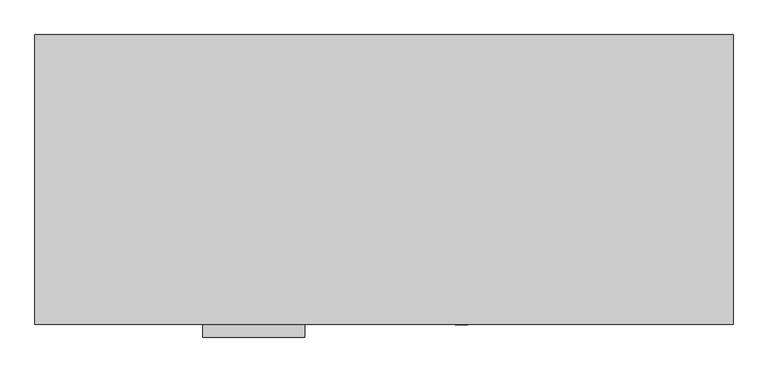
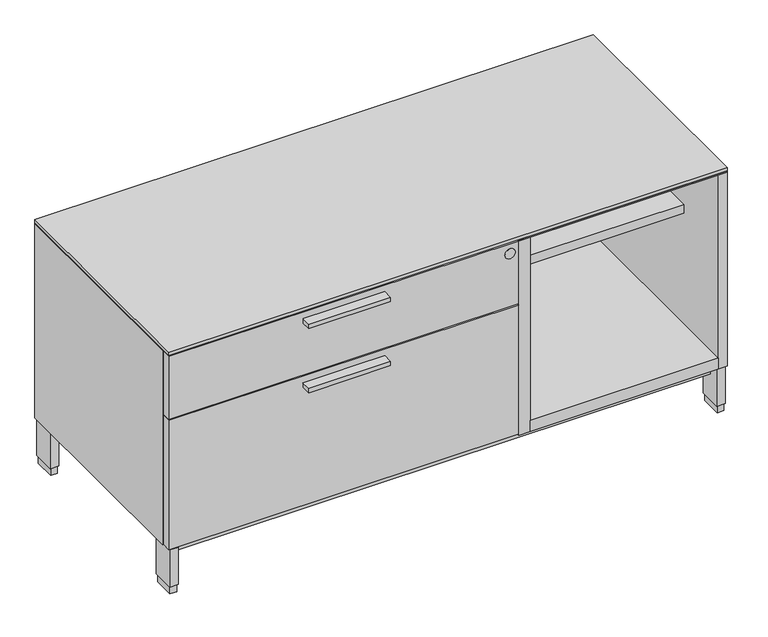
"""IFC4 building model written with IfcOpenShell, lengths in millimetres: furniture geometry."""

from ifc_helpers import new_model, si_unit, point, frame, frame_2d, origin, origin_with_axes, place, context, project, spatial, polyline, circle_curve, trimmed, segment, composite_curve, outline, extrude, source, transform, mapped, element, save


def furniture_1f9819b2(model_context):
    return source(origin(), model_context, "Body", "SweptSolid", [
        extrude(outline(polyline([(471.4875, -528.574), (293.6875, -528.574), (293.6875, -506.349), (471.4875, -506.349), (471.4875, -528.574)])), frame((0.0, 0.0, 379.09246), z_axis=(0.0, 0.0, 1.0), x_axis=(1.0, 0.0, 0.0)), (0.0, 0.0, 1.0), 9.525),
        extrude(outline(polyline([(471.4875, -528.574), (293.6875, -528.574), (293.6875, -506.349), (471.4875, -506.349), (471.4875, -528.574)])), frame((0.0, 0.0, 526.53946), z_axis=(0.0, 0.0, 1.0), x_axis=(1.0, 0.0, 0.0)), (0.0, 0.0, 1.0), 9.525),
        extrude(outline(polyline([(788.9875, -20.828), (1198.1815, -20.828), (1198.1815, -506.349), (788.9875, -506.349), (788.9875, -20.828)])), frame((0.0, 0.0, 103.2002), z_axis=(0.0, 0.0, 1.0), x_axis=(1.0, 0.0, 0.0)), (0.0, 0.0, 1.0), 25.4),
        extrude(outline(polyline([(1.5875, -1.524), (1217.6125, -1.524), (1217.6125, -506.349), (763.5875, -506.349), (763.5875, -487.172), (1.5875, -487.172), (1.5875, -1.524)])), frame((0.0, 0.0, 550.8752), z_axis=(0.0, 0.0, 1.0), x_axis=(1.0, 0.0, 0.0)), (0.0, 0.0, 1.0), 1.5875),
        extrude(outline(polyline([(788.9875, -20.828), (1198.1815, -20.828), (1198.1815, -375.8184), (788.9875, -375.8184), (788.9875, -20.828)])), frame((0.0, 0.0, 383.0828), z_axis=(0.0, 0.0, 1.0), x_axis=(1.0, 0.0, 0.0)), (0.0, 0.0, 1.0), 20.3454),
        extrude(outline(polyline([(763.5875, -20.828), (788.9875, -20.828), (788.9875, -506.349), (763.5875, -506.349), (763.5875, -20.828)])), frame((0.0, 0.0, 103.2002), z_axis=(0.0, 0.0, 1.0), x_axis=(1.0, 0.0, 0.0)), (0.0, 0.0, 1.0), 447.675),
        extrude(outline(polyline([(21.2979, -5.715), (21.2979, -52.197), (6.5659, -52.197), (6.5659, -5.715), (21.2979, -5.715)])), origin_with_axes(), (0.0, 0.0, 1.0), 17.399),
        extrude(outline(polyline([(21.2979, -455.676), (21.2979, -502.158), (6.5659, -502.158), (6.5659, -455.676), (21.2979, -455.676)])), origin_with_axes(), (0.0, 0.0, 1.0), 17.399),
        extrude(outline(polyline([(1212.6341, -455.676), (1212.6341, -502.158), (1197.9021, -502.158), (1197.9021, -455.676), (1212.6341, -455.676)])), origin_with_axes(), (0.0, 0.0, 1.0), 17.399),
        extrude(outline(polyline([(1212.6341, -5.715), (1212.6341, -52.197), (1197.9021, -52.197), (1197.9021, -5.715), (1212.6341, -5.715)])), origin_with_axes(), (0.0, 0.0, 1.0), 17.399),
        extrude(outline(polyline([(23.4569, -3.556), (23.4569, -54.356), (4.4069, -54.356), (4.4069, -3.556), (23.4569, -3.556)])), frame((0.0, 0.0, 17.399), z_axis=(0.0, 0.0, 1.0), x_axis=(1.0, 0.0, 0.0)), (0.0, 0.0, 1.0), 85.8012),
        extrude(outline(polyline([(1214.7931, -3.556), (1214.7931, -54.356), (1195.7431, -54.356), (1195.7431, -3.556), (1214.7931, -3.556)])), frame((0.0, 0.0, 17.399), z_axis=(0.0, 0.0, 1.0), x_axis=(1.0, 0.0, 0.0)), (0.0, 0.0, 1.0), 85.8012),
        extrude(outline(polyline([(1214.7931, -453.517), (1214.7931, -504.317), (1195.7431, -504.317), (1195.7431, -453.517), (1214.7931, -453.517)])), frame((0.0, 0.0, 17.399), z_axis=(0.0, 0.0, 1.0), x_axis=(1.0, 0.0, 0.0)), (0.0, 0.0, 1.0), 85.8012),
        extrude(outline(polyline([(23.4569, -453.517), (23.4569, -504.317), (4.4069, -504.317), (4.4069, -453.517), (23.4569, -453.517)])), frame((0.0, 0.0, 17.399), z_axis=(0.0, 0.0, 1.0), x_axis=(1.0, 0.0, 0.0)), (0.0, 0.0, 1.0), 85.8012),
        extrude(outline(polyline([(1195.7431, -26.99766), (1195.7431, -480.87534), (23.4569, -480.87534), (23.4569, -26.99766), (1195.7431, -26.99766)])), frame((0.0, 0.0, 77.8002), z_axis=(0.0, 0.0, 1.0), x_axis=(1.0, 0.0, 0.0)), (0.0, 0.0, 1.0), 25.4),
        extrude(outline(composite_curve([segment(trimmed(circle_curve(frame_2d((528.3708, 744.5375)), 11.176), [point((528.3708, 755.7135))], [point((528.3708, 733.3615))], False, "CARTESIAN"), True, "CONTINUOUS"), segment(trimmed(circle_curve(frame_2d((528.3708, 744.5375)), 11.176), [point((528.3708, 733.3615))], [point((528.3708, 755.7135))], False, "CARTESIAN"), True, "CONTINUOUS")], self_intersect=False)), frame((0.0, -506.9614948, 0.0), z_axis=(0.0, 1.0, 0.0), x_axis=(0.0, 0.0, 1.0)), (0.0, 0.0, 1.0), 5.0524148),
        extrude(outline(polyline([(763.5875, -487.172), (763.5875, -506.349), (1.5875, -506.349), (1.5875, -487.172), (763.5875, -487.172)])), frame((0.0, 0.0, 106.3752), z_axis=(0.0, 0.0, 1.0), x_axis=(1.0, 0.0, 0.0)), (0.0, 0.0, 1.0), 297.053),
        extrude(outline(polyline([(763.5875, -487.172), (763.5875, -506.349), (1.5875, -506.349), (1.5875, -487.172), (763.5875, -487.172)])), frame((0.0, 0.0, 406.6032), z_axis=(0.0, 0.0, 1.0), x_axis=(1.0, 0.0, 0.0)), (0.0, 0.0, 1.0), 144.272),
        extrude(outline(polyline([(1217.6125, -506.349), (1.5875, -506.349), (1.5875, -1.524), (1217.6125, -1.524), (1217.6125, -506.349)])), frame((0.0, 0.0, 554.0502), z_axis=(0.0, 0.0, 1.0), x_axis=(1.0, 0.0, 0.0)), (0.0, 0.0, 1.0), 6.35),
        extrude(outline(polyline([(1.5875, -1.524), (1217.6125, -1.524), (1217.6125, -506.349), (1198.1815, -506.349), (1198.1815, -20.828), (21.0185, -20.828), (21.0185, -483.2858), (1.5875, -483.2858), (1.5875, -1.524)])), frame((0.0, 0.0, 103.2002), z_axis=(0.0, 0.0, 1.0), x_axis=(1.0, 0.0, 0.0)), (0.0, 0.0, 1.0), 447.675),
    ])


if __name__ == "__main__":
    model = new_model("IFC4")
    model_context = context("Model", 3, world=origin())
    ifc_project = project(units=[si_unit("LENGTHUNIT", "METRE", prefix="MILLI")], contexts=[model_context])
    site = spatial("IfcSite", under=ifc_project)
    building = spatial("IfcBuilding", under=site)
    placement = place(None, origin())
    furniture_shape = furniture_1f9819b2(model_context)
    element("IfcFurniture", 1, at=placement, inside=building, context=model_context, shape_type="MappedRepresentation", body=[
        mapped(furniture_shape, transform((0.0, 0.0, 0.0), x_axis=(1.0, 0.0, 0.0), y_axis=(0.0, 1.0, 0.0), z_axis=(0.0, 0.0, 1.0))),
    ])
    save(model, "model.ifc")
